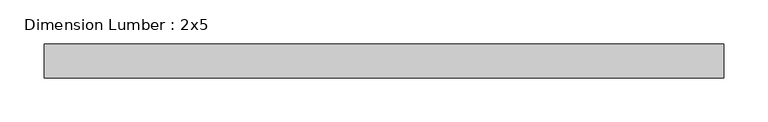
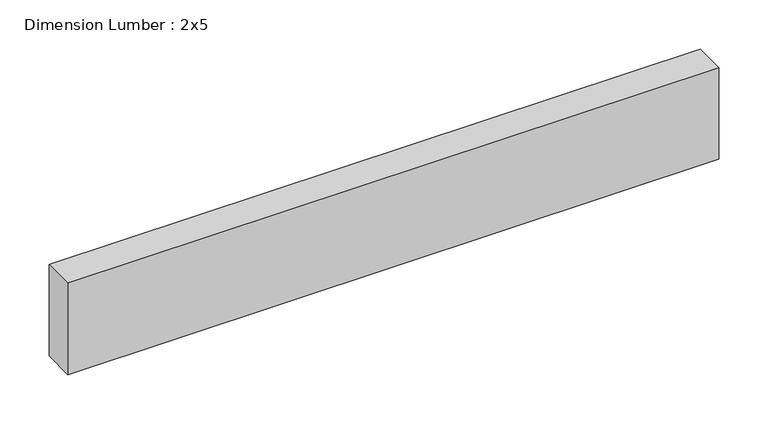
"""IFC4 building model written with IfcOpenShell, lengths in millimetres: beam geometry, Dimension Lumber : 2x5."""

from ifc_helpers import new_model, si_unit, frame, origin, place, context, project, spatial, polyline, outline, extrude, source, transform, mapped, element, save


def dimension_lumber_2x5_daf0db7b(model_context):
    return source(origin(), model_context, "Body", "SweptSolid", [
        extrude(outline(polyline([(383.6593402, 19.05), (383.6593402, -19.05), (-383.6593402, -19.05), (-383.6593402, 19.05), (383.6593402, 19.05)])), frame((0.0, 0.0, -57.15), z_axis=(0.0, 0.0, 1.0), x_axis=(1.0, 0.0, 0.0)), (0.0, 0.0, 1.0), 114.3),
    ])


if __name__ == "__main__":
    model = new_model("IFC4")
    model_context = context("Model", 3, world=origin())
    ifc_project = project(units=[si_unit("LENGTHUNIT", "METRE", prefix="MILLI")], contexts=[model_context])
    site = spatial("IfcSite", under=ifc_project)
    building = spatial("IfcBuilding", under=site)
    placement = place(None, origin())
    dimension_lumber_2x5_shape = dimension_lumber_2x5_daf0db7b(model_context)
    element("IfcBeam", 1, ObjectType="Dimension Lumber : 2x5", at=placement, inside=building, context=model_context, shape_type="MappedRepresentation", body=[
        mapped(dimension_lumber_2x5_shape, transform((0.0, 0.0, 0.0), x_axis=(1.0, 0.0, 0.0), y_axis=(0.0, 1.0, 0.0), z_axis=(0.0, 0.0, 1.0))),
    ])
    save(model, "model.ifc")
